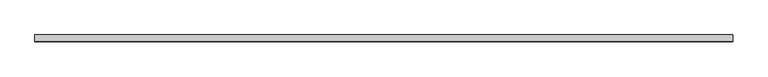
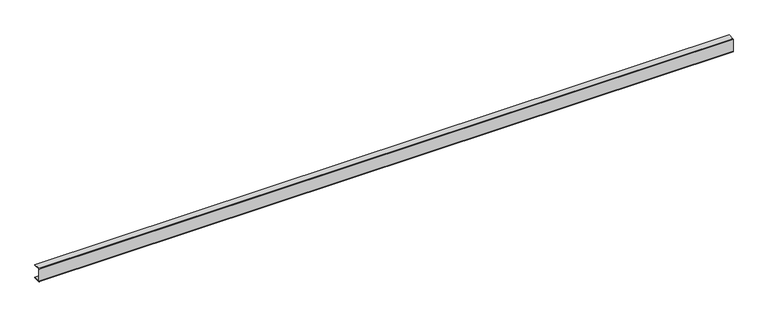
"""IFC4 building model written with IfcOpenShell, lengths in millimetres: proxy geometry."""

from ifc_helpers import new_model, si_unit, point, frame, frame_2d, origin, place, context, project, spatial, polyline, circle_curve, trimmed, segment, composite_curve, outline, extrude, source, transform, mapped, element, save


def mechanical_equipment_9ad64cf2(model_context):
    return source(origin(), model_context, "Body", "SweptSolid", [
        extrude(outline(composite_curve([segment(polyline([(10.0, 38.4), (-8.4, 38.4), (-8.4, 1.6), (10.0, 1.6), (10.0, 0.0), (-8.4, 0.0)]), True, "CONTINUOUS"), segment(trimmed(circle_curve(frame_2d((-8.4, 1.6)), 1.6), [point((-8.4, 0.0))], [point((-10.0, 1.6))], False, "CARTESIAN"), True, "CONTINUOUS"), segment(polyline([(-10.0, 1.6), (-10.0, 38.4)]), True, "CONTINUOUS"), segment(trimmed(circle_curve(frame_2d((-8.4, 38.4)), 1.6), [point((-10.0, 38.4))], [point((-8.4, 40.0))], False, "CARTESIAN"), True, "CONTINUOUS"), segment(polyline([(-8.4, 40.0), (10.0, 40.0), (10.0, 38.4)]), True, "CONTINUOUS")], self_intersect=False)), frame((0.0, 0.0, 0.0), z_axis=(1.0, 0.0, 0.0), x_axis=(0.0, 1.0, 0.0)), (0.0, 0.0, 1.0), 2000.0),
    ])


if __name__ == "__main__":
    model = new_model("IFC4")
    model_context = context("Model", 3, world=origin())
    ifc_project = project(units=[si_unit("LENGTHUNIT", "METRE", prefix="MILLI")], contexts=[model_context])
    site = spatial("IfcSite", under=ifc_project)
    building = spatial("IfcBuilding", under=site)
    placement = place(None, origin())
    mechanical_equipment_shape = mechanical_equipment_9ad64cf2(model_context)
    element("IfcBuildingElementProxy", 1, Name="Mechanical Equipment", at=placement, inside=building, context=model_context, shape_type="MappedRepresentation", body=[
        mapped(mechanical_equipment_shape, transform((0.0, 0.0, 0.0), x_axis=(1.0, 0.0, 0.0), y_axis=(0.0, 1.0, 0.0), z_axis=(0.0, 0.0, 1.0))),
    ])
    save(model, "model.ifc")
